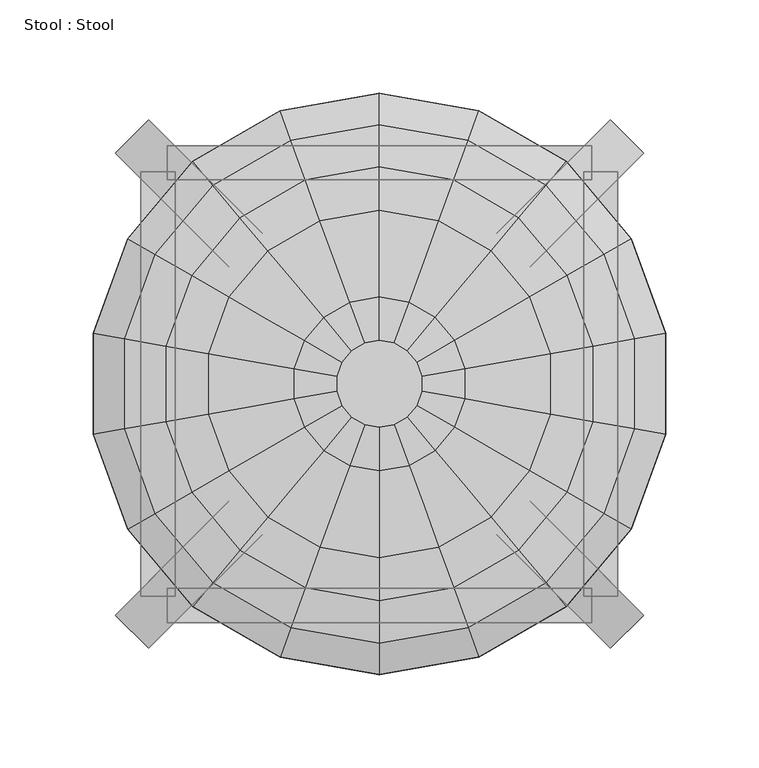
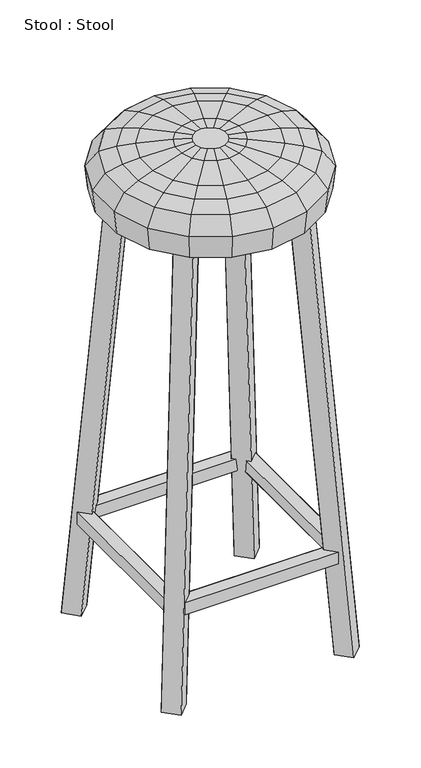
"""IFC4 building model written with IfcOpenShell, lengths in millimetres: furniture geometry, Stool : Stool."""

from ifc_helpers import new_model, si_unit, origin, place, context, project, spatial, triangles, source, transform, mapped, element, save


def stool_stool_0a05926b(model_context):
    return source(origin(), model_context, "Body", "Tessellation", [
        triangles([(-80.832884, -62.849693, 753.0583946), (-62.849693, -80.832884, 753.0583946), (-80.8938359, -98.8465374, 753.0583946), (-105.7654919, -123.7182024, 59.425715), (-123.8096303, -141.7623408, 59.425715), (-98.8465374, -80.8938359, 753.0583946), (-141.7623408, -123.8096303, 59.425715), (-123.7182024, -105.7654919, 59.425715), (80.832884, -62.849693, 753.0583946), (123.7182024, -105.7654919, 59.425715), (123.8096303, -141.7623408, 59.425715), (141.7623408, -123.8096303, 59.425715), (98.8465374, -80.8938359, 753.0583946), (62.849693, -80.832884, 753.0583946), (105.7654919, -123.7182024, 59.425715), (80.8938359, -98.8465374, 753.0583946), (62.849693, 80.832884, 753.0583946), (105.7654919, 123.7182024, 59.425715), (80.8938359, 98.8465374, 753.0583946), (123.8096303, 141.7623408, 59.425715), (80.832884, 62.849693, 753.0583946), (123.7182024, 105.7654919, 59.425715), (98.8465374, 80.8938359, 753.0583946), (141.7623408, 123.8096303, 59.425715), (-80.832884, 62.849693, 753.0583946), (-123.7182024, 105.7654919, 59.425715), (-105.7654919, 123.7182024, 59.425715), (-98.8465374, 80.8938359, 753.0583946), (-80.8938359, 98.8465374, 753.0583946), (-141.7623408, 123.8096303, 59.425715), (-62.849693, 80.832884, 753.0583946), (-123.8096303, 141.7623408, 59.425715)], [[2, 8, 1], [4, 8, 2], [3, 4, 2], [5, 4, 3], [6, 7, 3], [5, 3, 7], [8, 6, 1], [7, 6, 8], [9, 15, 14], [10, 15, 9], [13, 10, 9], [12, 10, 13], [16, 11, 13], [12, 13, 11], [15, 16, 14], [11, 16, 15], [17, 22, 21], [18, 22, 17], [19, 18, 17], [20, 18, 19], [23, 20, 19], [24, 20, 23], [22, 23, 21], [24, 23, 22], [25, 27, 31], [26, 27, 25], [28, 26, 25], [30, 26, 28], [29, 30, 28], [32, 30, 29], [27, 29, 31], [32, 29, 27]], closed=False),
        triangles([(-113.8426878, 109.5450123, 198.2010198), (-113.8426878, 127.8939468, 198.2010198), (-113.8426878, 109.5450123, 216.2756251), (113.8426878, 109.5450123, 216.2756251), (113.8426878, 109.5450123, 198.2010198), (113.8426878, 127.8939468, 198.2010198), (-113.8426878, 127.8939468, 216.2756251), (113.8426878, 127.8939468, 216.2756251), (-109.5450123, -113.8426878, 198.2010198), (-127.8939468, -113.8426878, 216.2756251), (-109.5450123, -113.8426878, 216.2756251), (-109.5450123, 113.8426878, 198.2010198), (-109.5450123, 113.8426878, 216.2756251), (-127.8939468, 113.8426878, 216.2756251), (-127.8939468, 113.8426878, 198.2010198), (-127.8939468, -113.8426878, 198.2010198), (113.8426878, -109.5450123, 198.2010198), (113.8426878, -127.8939468, 216.2756251), (-113.8426878, -109.5450123, 198.2010198), (-113.8426878, -109.5450123, 216.2756251), (-113.8426878, -127.8939468, 198.2010198), (113.8426878, -127.8939468, 198.2010198), (-113.8426878, -127.8939468, 216.2756251), (113.8426878, -109.5450123, 216.2756251), (109.5450123, 113.8426878, 198.2010198), (127.8939468, 113.8426878, 198.2010198), (109.5450123, 113.8426878, 216.2756251), (109.5450123, -113.8426878, 198.2010198), (127.8939468, -113.8426878, 216.2756251), (127.8939468, -113.8426878, 198.2010198), (127.8939468, 113.8426878, 216.2756251), (109.5450123, -113.8426878, 216.2756251)], [[7, 2, 1], [1, 3, 7], [3, 1, 5], [5, 4, 3], [4, 5, 6], [6, 8, 4], [8, 6, 2], [2, 7, 8], [4, 8, 7], [7, 3, 4], [10, 16, 9], [9, 11, 10], [11, 9, 12], [12, 13, 11], [13, 12, 15], [15, 14, 13], [14, 15, 16], [16, 10, 14], [13, 14, 10], [10, 11, 13], [18, 22, 17], [17, 24, 18], [24, 17, 19], [19, 20, 24], [20, 19, 21], [21, 23, 20], [23, 21, 22], [22, 18, 23], [20, 23, 18], [18, 24, 20], [30, 28, 25], [25, 26, 30], [31, 26, 25], [25, 27, 31], [27, 25, 28], [28, 32, 27], [32, 28, 30], [30, 29, 32], [29, 30, 26], [26, 31, 29], [32, 29, 31], [31, 27, 32]], closed=False),
        triangles([(-149.5042465, -26.3651717, 727.8209816), (-131.4905931, -75.9256027, 727.8209816), (-114.5742111, -20.208221, 791.6460102), (-136.946501, -24.1401349, 783.5993357), (-80.7109619, -46.6038732, 796.1875208), (-100.7667781, -58.1862603, 791.6460102), (-60.5636952, -34.9605273, 798.93074), (-22.981898, -4.053836, 803.4722506), (-97.596868, -116.3115687, 727.8209816), (-120.4263612, -69.5248079, 783.5993357), (-134.9653084, -77.9067999, 762.0194756), (-100.1571769, -119.3900327, 762.0194756), (-89.39775, -106.5275002, 783.5993357), (-74.7978463, -89.1234299, 791.6460102), (-59.9236179, -71.4145681, 796.1875208), (-44.9579526, -53.5837887, 798.93074), (-40.416442, -23.3171769, 801.6434378), (-29.9922895, -35.7530048, 801.6434378), (-20.208221, -11.6738287, 803.4722506), (-14.9961447, -17.8917415, 803.4722506), (0.0, 0.0, 803.5332207), (-47.548751, -130.6676328, 783.5993357), (-31.8820474, -87.5994314, 796.1875208), (-15.9715042, -43.8301962, 801.6434378), (-23.9267758, -65.7148115, 798.93074), (-7.9857521, -21.9455786, 803.4722506), (-53.3094641, -146.4562494, 762.0194756), (-51.9378681, -142.676729, 727.8209816), (0.0, -151.8207203, 727.8209816), (-39.8068408, -109.3316532, 791.6460102), (0.0, -139.0496158, 783.5993357), (0.0, -116.3420356, 791.6460102), (0.0, -69.9210546, 798.93074), (0.0, -23.3476574, 803.4722506), (0.0, -155.8440848, 762.0194756), (47.548751, -130.6676328, 783.5993357), (0.0, -93.2077464, 796.1875208), (0.0, -46.6648342, 801.6434378), (51.9378681, -142.676729, 727.8209816), (97.596868, -116.3115687, 727.8209816), (100.1571769, -119.3900327, 762.0194756), (53.3094641, -146.4562494, 762.0194756), (89.39775, -106.5275002, 783.5993357), (39.8068408, -109.3316532, 791.6460102), (31.8820474, -87.5994314, 796.1875208), (59.9236179, -71.4145681, 796.1875208), (23.9267758, -65.7148115, 798.93074), (7.9857521, -21.9455786, 803.4722506), (15.9715042, -43.8301962, 801.6434378), (29.9922895, -35.7530048, 801.6434378), (131.4905931, -75.9256027, 727.8209816), (134.9653084, -77.9067999, 762.0194756), (74.7978463, -89.1234299, 791.6460102), (80.7109619, -46.6038732, 796.1875208), (40.416442, -23.3171769, 801.6434378), (44.9579526, -53.5837887, 798.93074), (14.9961447, -17.8917415, 803.4722506), (153.46665, -27.0662145, 762.0194756), (149.5042465, -26.3651717, 727.8209816), (136.946501, -24.1401349, 783.5993357), (120.4263612, -69.5248079, 783.5993357), (100.7667781, -58.1862603, 791.6460102), (60.5636952, -34.9605273, 798.93074), (20.208221, -11.6738287, 803.4722506), (149.5042465, 26.3651717, 727.8209816), (114.5742111, 20.208221, 791.6460102), (136.946501, 24.1401349, 783.5993357), (114.5742111, -20.208221, 791.6460102), (91.8056699, 16.1848633, 796.1875208), (91.8056699, -16.1848633, 796.1875208), (45.963796, -8.1076719, 801.6434378), (68.8847307, -12.1310285, 798.93074), (22.981898, -4.053836, 803.4722506), (45.963796, 8.1076719, 801.6434378), (134.9653084, 77.9067999, 762.0194756), (153.46665, 27.0662145, 762.0194756), (120.4263612, 69.5248079, 783.5993357), (68.8847307, 12.1310285, 798.93074), (60.5636952, 34.9605273, 798.93074), (20.208221, 11.6738287, 803.4722506), (22.981898, 4.053836, 803.4722506), (40.416442, 23.3171769, 801.6434378), (131.4905931, 75.9256027, 727.8209816), (97.596868, 116.3115687, 727.8209816), (74.7978463, 89.1234299, 791.6460102), (89.39775, 106.5275002, 783.5993357), (80.7109619, 46.6038732, 796.1875208), (100.7667781, 58.1862603, 791.6460102), (59.9236179, 71.4145681, 796.1875208), (44.9579526, 53.5837887, 798.93074), (14.9961447, 17.8917415, 803.4722506), (100.1571769, 119.3900327, 762.0194756), (47.548751, 130.6676328, 783.5993357), (39.8068408, 109.3316532, 791.6460102), (29.9922895, 35.7530048, 801.6434378), (51.9378681, 142.676729, 727.8209816), (53.3094641, 146.4562494, 762.0194756), (0.0, 139.0496158, 783.5993357), (0.0, 93.2077464, 796.1875208), (31.8820474, 87.5994314, 796.1875208), (23.9267758, 65.7148115, 798.93074), (0.0, 46.6648342, 801.6434378), (7.9857521, 21.9455786, 803.4722506), (15.9715042, 43.8301962, 801.6434378), (0.0, 151.8207203, 727.8209816), (-51.9378681, 142.676729, 727.8209816), (-53.3094641, 146.4562494, 762.0194756), (0.0, 155.8440848, 762.0194756), (0.0, 116.3420356, 791.6460102), (-31.8820474, 87.5994314, 796.1875208), (-39.8068408, 109.3316532, 791.6460102), (0.0, 69.9210546, 798.93074), (-23.9267758, 65.7148115, 798.93074), (0.0, 23.3476574, 803.4722506), (-15.9715042, 43.8301962, 801.6434378), (-100.1571769, 119.3900327, 762.0194756), (-47.548751, 130.6676328, 783.5993357), (-74.7978463, 89.1234299, 791.6460102), (-89.39775, 106.5275002, 783.5993357), (-59.9236179, 71.4145681, 796.1875208), (-14.9961447, 17.8917415, 803.4722506), (-7.9857521, 21.9455786, 803.4722506), (-97.596868, 116.3115687, 727.8209816), (-134.9653084, 77.9067999, 762.0194756), (-120.4263612, 69.5248079, 783.5993357), (-100.7667781, 58.1862603, 791.6460102), (-80.7109619, 46.6038732, 796.1875208), (-29.9922895, 35.7530048, 801.6434378), (-44.9579526, 53.5837887, 798.93074), (-40.416442, 23.3171769, 801.6434378), (-131.4905931, 75.8951267, 727.8209816), (-149.5042465, 26.3651717, 727.8209816), (-136.946501, 24.1401349, 783.5993357), (-114.5742111, 20.208221, 791.6460102), (-60.5636952, 34.9605273, 798.93074), (-45.963796, 8.1076719, 801.6434378), (-20.208221, 11.6738287, 803.4722506), (-22.981898, 4.053836, 803.4722506), (-153.46665, 27.0662145, 762.0194756), (-153.46665, -27.0662145, 762.0194756), (-91.8056699, 16.1848633, 796.1875208), (-91.8056699, -16.1848633, 796.1875208), (-68.8847307, 12.1310285, 798.93074), (-68.8847307, -12.1310285, 798.93074), (-45.963796, -8.1076719, 801.6434378)], [[1, 11, 140], [2, 11, 1], [140, 10, 4], [11, 10, 140], [3, 10, 6], [4, 10, 3], [142, 6, 5], [3, 6, 142], [144, 5, 7], [142, 5, 144], [145, 7, 17], [144, 7, 145], [8, 17, 19], [145, 17, 8], [19, 21, 8], [2, 12, 11], [9, 12, 2], [11, 13, 10], [12, 13, 11], [6, 13, 14], [10, 13, 6], [6, 15, 5], [14, 15, 6], [5, 16, 7], [15, 16, 5], [7, 18, 17], [16, 18, 7], [19, 18, 20], [17, 18, 19], [20, 21, 19], [12, 28, 27], [9, 28, 12], [12, 22, 13], [27, 22, 12], [13, 30, 14], [22, 30, 13], [15, 30, 23], [14, 30, 15], [16, 23, 25], [15, 23, 16], [18, 25, 24], [16, 25, 18], [20, 24, 26], [18, 24, 20], [26, 21, 20], [27, 29, 35], [28, 29, 27], [22, 35, 31], [27, 35, 22], [22, 32, 30], [31, 32, 22], [23, 32, 37], [30, 32, 23], [25, 37, 33], [23, 37, 25], [25, 38, 24], [33, 38, 25], [26, 38, 34], [24, 38, 26], [34, 21, 26], [29, 42, 35], [39, 42, 29], [35, 36, 31], [42, 36, 35], [32, 36, 44], [31, 36, 32], [32, 45, 37], [44, 45, 32], [37, 47, 33], [45, 47, 37], [38, 47, 49], [33, 47, 38], [38, 48, 34], [49, 48, 38], [48, 21, 34], [39, 41, 42], [40, 41, 39], [36, 41, 43], [42, 41, 36], [44, 43, 53], [36, 43, 44], [44, 46, 45], [53, 46, 44], [45, 56, 47], [46, 56, 45], [47, 50, 49], [56, 50, 47], [49, 57, 48], [50, 57, 49], [57, 21, 48], [41, 51, 52], [40, 51, 41], [43, 52, 61], [41, 52, 43], [43, 62, 53], [61, 62, 43], [46, 62, 54], [53, 62, 46], [56, 54, 63], [46, 54, 56], [50, 63, 55], [56, 63, 50], [57, 50, 64], [55, 64, 50], [64, 21, 57], [52, 59, 58], [51, 59, 52], [61, 58, 60], [52, 58, 61], [61, 68, 62], [60, 68, 61], [62, 70, 54], [68, 70, 62], [54, 72, 63], [70, 72, 54], [63, 71, 55], [72, 71, 63], [55, 73, 64], [71, 73, 55], [73, 21, 64], [58, 65, 76], [59, 65, 58], [60, 76, 67], [58, 76, 60], [68, 67, 66], [60, 67, 68], [70, 66, 69], [68, 66, 70], [72, 69, 78], [70, 69, 72], [71, 78, 74], [72, 78, 71], [73, 74, 81], [71, 74, 73], [81, 21, 73], [65, 75, 76], [83, 75, 65], [76, 77, 67], [75, 77, 76], [66, 77, 88], [67, 77, 66], [69, 88, 87], [66, 88, 69], [78, 87, 79], [69, 87, 78], [74, 79, 82], [78, 79, 74], [81, 82, 80], [74, 82, 81], [80, 21, 81], [83, 92, 75], [84, 92, 83], [75, 86, 77], [92, 86, 75], [88, 86, 85], [77, 86, 88], [88, 89, 87], [85, 89, 88], [87, 90, 79], [89, 90, 87], [79, 95, 82], [90, 95, 79], [80, 95, 91], [82, 95, 80], [91, 21, 80], [92, 96, 97], [84, 96, 92], [92, 93, 86], [97, 93, 92], [86, 94, 85], [93, 94, 86], [89, 94, 100], [85, 94, 89], [90, 100, 101], [89, 100, 90], [95, 101, 104], [90, 101, 95], [91, 104, 103], [95, 104, 91], [103, 21, 91], [97, 105, 108], [96, 105, 97], [93, 108, 98], [97, 108, 93], [93, 109, 94], [98, 109, 93], [100, 109, 99], [94, 109, 100], [101, 99, 112], [100, 99, 101], [101, 102, 104], [112, 102, 101], [103, 102, 114], [104, 102, 103], [114, 21, 103], [105, 107, 108], [106, 107, 105], [108, 117, 98], [107, 117, 108], [109, 117, 111], [98, 117, 109], [109, 110, 99], [111, 110, 109], [99, 113, 112], [110, 113, 99], [102, 113, 115], [112, 113, 102], [102, 122, 114], [115, 122, 102], [122, 21, 114], [106, 116, 107], [123, 116, 106], [117, 116, 119], [107, 116, 117], [111, 119, 118], [117, 119, 111], [111, 120, 110], [118, 120, 111], [110, 129, 113], [120, 129, 110], [113, 128, 115], [129, 128, 113], [115, 121, 122], [128, 121, 115], [121, 21, 122], [123, 124, 116], [131, 124, 123], [119, 124, 125], [116, 124, 119], [119, 126, 118], [125, 126, 119], [120, 126, 127], [118, 126, 120], [129, 127, 135], [120, 127, 129], [128, 135, 130], [129, 135, 128], [121, 130, 137], [128, 130, 121], [137, 21, 121], [131, 139, 124], [132, 139, 131], [125, 139, 133], [124, 139, 125], [125, 134, 126], [133, 134, 125], [126, 141, 127], [134, 141, 126], [127, 143, 135], [141, 143, 127], [135, 136, 130], [143, 136, 135], [130, 138, 137], [136, 138, 130], [138, 21, 137], [139, 1, 140], [132, 1, 139], [133, 140, 4], [139, 140, 133], [134, 4, 3], [133, 4, 134], [141, 3, 142], [134, 3, 141], [143, 142, 144], [141, 142, 143], [136, 144, 145], [143, 144, 136], [138, 145, 8], [136, 145, 138], [8, 21, 138]], closed=False),
    ])


if __name__ == "__main__":
    model = new_model("IFC4")
    model_context = context("Model", 3, world=origin())
    ifc_project = project(units=[si_unit("LENGTHUNIT", "METRE", prefix="MILLI")], contexts=[model_context])
    site = spatial("IfcSite", under=ifc_project)
    building = spatial("IfcBuilding", under=site)
    placement = place(None, origin())
    stool_stool_shape = stool_stool_0a05926b(model_context)
    element("IfcFurniture", 1, ObjectType="Stool : Stool", at=placement, inside=building, context=model_context, shape_type="MappedRepresentation", body=[
        mapped(stool_stool_shape, transform((0.0, 0.0, 0.0), x_axis=(1.0, 0.0, 0.0), y_axis=(0.0, 1.0, 0.0), z_axis=(0.0, 0.0, 1.0))),
    ])
    save(model, "model.ifc")
